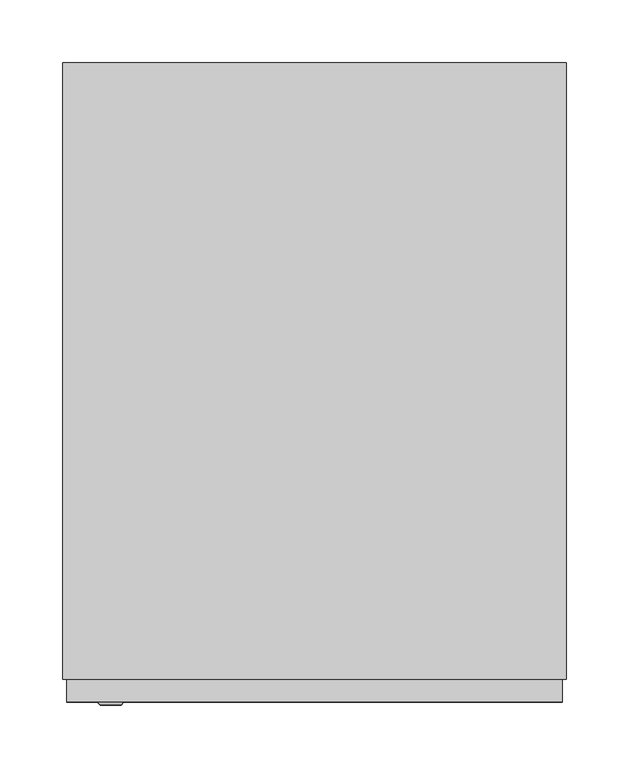
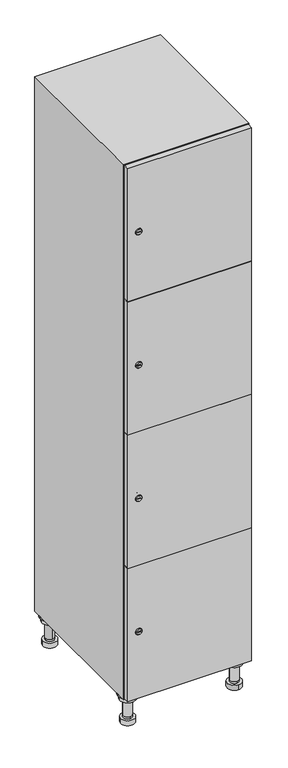
"""IFC4 building model written with IfcOpenShell, lengths in millimetres: furniture geometry."""

from ifc_helpers import new_model, si_unit, point, frame, frame_2d, origin, place, context, project, spatial, polyline, circle_curve, trimmed, segment, composite_curve, outline, extrude, faceted_brep, source, transform, mapped, element, save
from ifc_brep_helpers import plane_surface, cylinder_surface, revolved_surface, advanced_brep


def furniture_cc044fcd(model_context):
    return source(origin(), model_context, "Body", "SolidModel", [
        advanced_brep(
        [(170.0, -201.0, 22.0), (170.0, -201.5, 16.0), (170.0, -228.5, 16.0), (170.0, -229.0, 22.0), (156.0, -215.0, 22.0), (184.0, -215.0, 22.0), (170.0, -192.5, 16.0), (170.0, -237.5, 16.0), (170.0, -192.5, 0.0), (170.0, -237.5, 0.0), (184.0, -215.0, 78.0), (156.0, -215.0, 78.0), (195.0, -215.0, 78.0), (145.0, -215.0, 78.0), (200.0, -215.0, 94.0), (140.0, -215.0, 94.0), (145.0, -215.0, 94.0), (195.0, -215.0, 94.0), (200.0, -215.0, 100.0), (140.0, -215.0, 100.0)],
        [
            (0, 1),
            (1, 2, circle_curve(frame((170.0, -215.0, 16.0), z_axis=(0.0, 0.0, 1.0), x_axis=(0.0, -1.0, 0.0)), 13.5)),
            (2, 3),
            (3, 4, circle_curve(frame((170.0, -215.0, 22.0), z_axis=(0.0, 0.0, -1.0), x_axis=(0.0, -1.0, 0.0)), 14.0)),
            (4, 0, circle_curve(frame((170.0, -215.0, 22.0), z_axis=(0.0, 0.0, -1.0), x_axis=(0.0, -1.0, 0.0)), 14.0)),
            (0, 5, circle_curve(frame((170.0, -215.0, 22.0), z_axis=(0.0, 0.0, -1.0), x_axis=(0.0, 1.0, 0.0)), 14.0)),
            (5, 3, circle_curve(frame((170.0, -215.0, 22.0), z_axis=(0.0, 0.0, -1.0), x_axis=(0.0, 1.0, 0.0)), 14.0)),
            (2, 1, circle_curve(frame((170.0, -215.0, 16.0), z_axis=(0.0, 0.0, 1.0), x_axis=(0.0, 1.0, 0.0)), 13.5)),
            (6, 7, circle_curve(frame((170.0, -215.0, 16.0), z_axis=(0.0, 0.0, 1.0), x_axis=(0.0, -1.0, 0.0)), 22.5)),
            (7, 6, circle_curve(frame((170.0, -215.0, 16.0), z_axis=(0.0, 0.0, 1.0), x_axis=(0.0, -1.0, 0.0)), 22.5)),
            (8, 9, circle_curve(frame((170.0, -215.0, 0.0), z_axis=(0.0, 0.0, -1.0), x_axis=(0.0, -1.0, 0.0)), 22.5)),
            (9, 8, circle_curve(frame((170.0, -215.0, 0.0), z_axis=(0.0, 0.0, -1.0), x_axis=(0.0, -1.0, 0.0)), 22.5)),
            (6, 8),
            (9, 7),
            (5, 10),
            (10, 11, circle_curve(frame((170.0, -215.0, 78.0), z_axis=(0.0, 0.0, -1.0), x_axis=(-1.0, 0.0, 0.0)), 14.0)),
            (11, 4),
            (11, 10, circle_curve(frame((170.0, -215.0, 78.0), z_axis=(0.0, 0.0, -1.0), x_axis=(-1.0, 0.0, 0.0)), 14.0)),
            (12, 13, circle_curve(frame((170.0, -215.0, 78.0), z_axis=(0.0, 0.0, -1.0), x_axis=(-1.0, 0.0, 0.0)), 25.0)),
            (13, 12, circle_curve(frame((170.0, -215.0, 78.0), z_axis=(0.0, 0.0, -1.0), x_axis=(-1.0, 0.0, 0.0)), 25.0)),
            (14, 15, circle_curve(frame((170.0, -215.0, 94.0), z_axis=(0.0, 0.0, -1.0), x_axis=(-1.0, 0.0, 0.0)), 30.0)),
            (15, 14, circle_curve(frame((170.0, -215.0, 94.0), z_axis=(0.0, 0.0, -1.0), x_axis=(-1.0, 0.0, 0.0)), 30.0)),
            (16, 17, circle_curve(frame((170.0, -215.0, 94.0), z_axis=(0.0, 0.0, 1.0), x_axis=(-1.0, 0.0, 0.0)), 25.0)),
            (17, 16, circle_curve(frame((170.0, -215.0, 94.0), z_axis=(0.0, 0.0, 1.0), x_axis=(-1.0, 0.0, 0.0)), 25.0)),
            (18, 19, circle_curve(frame((170.0, -215.0, 100.0), z_axis=(0.0, 0.0, 1.0), x_axis=(-1.0, 0.0, 0.0)), 30.0)),
            (19, 18, circle_curve(frame((170.0, -215.0, 100.0), z_axis=(0.0, 0.0, 1.0), x_axis=(-1.0, 0.0, 0.0)), 30.0)),
            (14, 18),
            (19, 15),
            (12, 17),
            (16, 13),
        ],
        [
            revolved_surface(polyline([(170.0, -201.5, 16.0), (170.0, -201.0, 22.0)]), (170.0, -215.0, -146.0), (0.0, 0.0, 1.0)),
            plane_surface(frame((170.0, 0.0, 16.0), z_axis=(0.0, 0.0, 1.0), x_axis=(0.0, -1.0, 0.0))),
            plane_surface(frame((170.0, 0.0, 0.0), z_axis=(0.0, 0.0, -1.0), x_axis=(0.0, -1.0, 0.0))),
            cylinder_surface(frame((170.0, -215.0, 16.0), z_axis=(0.0, 0.0, 1.0), x_axis=(0.0, -1.0, 0.0)), 22.5),
            cylinder_surface(frame((170.0, -215.0, 22.0), z_axis=(0.0, 0.0, -1.0), x_axis=(-1.0, 0.0, 0.0)), 14.0),
            plane_surface(frame((170.0, 0.0, 78.0), z_axis=(0.0, 0.0, -1.0), x_axis=(0.0, -1.0, 0.0))),
            plane_surface(frame((170.0, 0.0, 94.0), z_axis=(0.0, 0.0, -1.0), x_axis=(0.0, -1.0, 0.0))),
            plane_surface(frame((170.0, 0.0, 100.0), z_axis=(0.0, 0.0, 1.0), x_axis=(0.0, -1.0, 0.0))),
            cylinder_surface(frame((170.0, -215.0, 94.0), z_axis=(0.0, 0.0, -1.0), x_axis=(-1.0, 0.0, 0.0)), 30.0),
            cylinder_surface(frame((170.0, -215.0, 78.0), z_axis=(0.0, 0.0, -1.0), x_axis=(-1.0, 0.0, 0.0)), 25.0),
        ],
        [
            (0, [[1, 2, 3, 4, 5]]),
            (0, [[-1, 6, 7, -3, 8]]),
            (1, [[9, 10], [-2, -8]]),
            (2, [[11, 12]]),
            (3, [[-9, 13, -12, 14]]),
            (3, [[-10, -14, -11, -13]]),
            (4, [[15, 16, 17, -4, -7]]),
            (4, [[-15, -6, -5, -17, 18]]),
            (5, [[19, 20], [-16, -18]]),
            (6, [[21, 22], [23, 24]]),
            (7, [[25, 26]]),
            (8, [[-21, 27, -26, 28]]),
            (8, [[-22, -28, -25, -27]]),
            (9, [[-19, 29, -23, 30]]),
            (9, [[-20, -30, -24, -29]]),
        ],
    ),
        advanced_brep(
        [(-170.0, -201.0, 22.0), (-170.0, -201.5, 16.0), (-170.0, -228.5, 16.0), (-170.0, -229.0, 22.0), (-184.0, -215.0, 22.0), (-156.0, -215.0, 22.0), (-147.5, -215.0, 0.0), (-192.5, -215.0, 0.0), (-147.5, -215.0, 16.0), (-192.5, -215.0, 16.0), (-156.0, -215.0, 78.0), (-184.0, -215.0, 78.0), (-145.0, -215.0, 78.0), (-195.0, -215.0, 78.0), (-140.0, -215.0, 94.0), (-200.0, -215.0, 94.0), (-195.0, -215.0, 94.0), (-145.0, -215.0, 94.0), (-140.0, -215.0, 100.0), (-200.0, -215.0, 100.0)],
        [
            (0, 1),
            (1, 2, circle_curve(frame((-170.0, -215.0, 16.0), z_axis=(0.0, 0.0, 1.0), x_axis=(0.0, -1.0, 0.0)), 13.5)),
            (2, 3),
            (3, 4, circle_curve(frame((-170.0, -215.0, 22.0), z_axis=(0.0, 0.0, -1.0), x_axis=(0.0, -1.0, 0.0)), 14.0)),
            (4, 0, circle_curve(frame((-170.0, -215.0, 22.0), z_axis=(0.0, 0.0, -1.0), x_axis=(0.0, -1.0, 0.0)), 14.0)),
            (0, 5, circle_curve(frame((-170.0, -215.0, 22.0), z_axis=(0.0, 0.0, -1.0), x_axis=(0.0, 1.0, 0.0)), 14.0)),
            (5, 3, circle_curve(frame((-170.0, -215.0, 22.0), z_axis=(0.0, 0.0, -1.0), x_axis=(0.0, 1.0, 0.0)), 14.0)),
            (2, 1, circle_curve(frame((-170.0, -215.0, 16.0), z_axis=(0.0, 0.0, 1.0), x_axis=(0.0, 1.0, 0.0)), 13.5)),
            (6, 7, circle_curve(frame((-170.0, -215.0, 0.0), z_axis=(0.0, 0.0, -1.0), x_axis=(-1.0, 0.0, 0.0)), 22.5)),
            (7, 6, circle_curve(frame((-170.0, -215.0, 0.0), z_axis=(0.0, 0.0, -1.0), x_axis=(-1.0, 0.0, 0.0)), 22.5)),
            (8, 9, circle_curve(frame((-170.0, -215.0, 16.0), z_axis=(0.0, 0.0, 1.0), x_axis=(-1.0, 0.0, 0.0)), 22.5)),
            (9, 8, circle_curve(frame((-170.0, -215.0, 16.0), z_axis=(0.0, 0.0, 1.0), x_axis=(-1.0, 0.0, 0.0)), 22.5)),
            (6, 8),
            (9, 7),
            (5, 10),
            (10, 11, circle_curve(frame((-170.0, -215.0, 78.0), z_axis=(0.0, 0.0, -1.0), x_axis=(-1.0, 0.0, 0.0)), 14.0)),
            (11, 4),
            (11, 10, circle_curve(frame((-170.0, -215.0, 78.0), z_axis=(0.0, 0.0, -1.0), x_axis=(-1.0, 0.0, 0.0)), 14.0)),
            (12, 13, circle_curve(frame((-170.0, -215.0, 78.0), z_axis=(0.0, 0.0, -1.0), x_axis=(-1.0, 0.0, 0.0)), 25.0)),
            (13, 12, circle_curve(frame((-170.0, -215.0, 78.0), z_axis=(0.0, 0.0, -1.0), x_axis=(-1.0, 0.0, 0.0)), 25.0)),
            (14, 15, circle_curve(frame((-170.0, -215.0, 94.0), z_axis=(0.0, 0.0, -1.0), x_axis=(-1.0, 0.0, 0.0)), 30.0)),
            (15, 14, circle_curve(frame((-170.0, -215.0, 94.0), z_axis=(0.0, 0.0, -1.0), x_axis=(-1.0, 0.0, 0.0)), 30.0)),
            (16, 17, circle_curve(frame((-170.0, -215.0, 94.0), z_axis=(0.0, 0.0, 1.0), x_axis=(-1.0, 0.0, 0.0)), 25.0)),
            (17, 16, circle_curve(frame((-170.0, -215.0, 94.0), z_axis=(0.0, 0.0, 1.0), x_axis=(-1.0, 0.0, 0.0)), 25.0)),
            (18, 19, circle_curve(frame((-170.0, -215.0, 100.0), z_axis=(0.0, 0.0, 1.0), x_axis=(-1.0, 0.0, 0.0)), 30.0)),
            (19, 18, circle_curve(frame((-170.0, -215.0, 100.0), z_axis=(0.0, 0.0, 1.0), x_axis=(-1.0, 0.0, 0.0)), 30.0)),
            (14, 18),
            (19, 15),
            (12, 17),
            (16, 13),
        ],
        [
            revolved_surface(polyline([(-170.0, -201.5, 16.0), (-170.0, -201.0, 22.0)]), (-170.0, -215.0, -146.0), (0.0, 0.0, 1.0)),
            plane_surface(frame((-170.0, 0.0, 0.0), z_axis=(0.0, 0.0, -1.0), x_axis=(0.0, -1.0, 0.0))),
            plane_surface(frame((-170.0, 0.0, 16.0), z_axis=(0.0, 0.0, 1.0), x_axis=(0.0, -1.0, 0.0))),
            cylinder_surface(frame((-170.0, -215.0, 0.0), z_axis=(0.0, 0.0, -1.0), x_axis=(-1.0, 0.0, 0.0)), 22.5),
            cylinder_surface(frame((-170.0, -215.0, 22.0), z_axis=(0.0, 0.0, -1.0), x_axis=(-1.0, 0.0, 0.0)), 14.0),
            plane_surface(frame((-170.0, 0.0, 78.0), z_axis=(0.0, 0.0, -1.0), x_axis=(0.0, -1.0, 0.0))),
            plane_surface(frame((-170.0, 0.0, 94.0), z_axis=(0.0, 0.0, -1.0), x_axis=(0.0, -1.0, 0.0))),
            plane_surface(frame((-170.0, 0.0, 100.0), z_axis=(0.0, 0.0, 1.0), x_axis=(0.0, -1.0, 0.0))),
            cylinder_surface(frame((-170.0, -215.0, 94.0), z_axis=(0.0, 0.0, -1.0), x_axis=(-1.0, 0.0, 0.0)), 30.0),
            cylinder_surface(frame((-170.0, -215.0, 78.0), z_axis=(0.0, 0.0, -1.0), x_axis=(-1.0, 0.0, 0.0)), 25.0),
        ],
        [
            (0, [[1, 2, 3, 4, 5]]),
            (0, [[-1, 6, 7, -3, 8]]),
            (1, [[9, 10]]),
            (2, [[11, 12], [-2, -8]]),
            (3, [[-9, 13, -12, 14]]),
            (3, [[-10, -14, -11, -13]]),
            (4, [[15, 16, 17, -4, -7]]),
            (4, [[-15, -6, -5, -17, 18]]),
            (5, [[19, 20], [-16, -18]]),
            (6, [[21, 22], [23, 24]]),
            (7, [[25, 26]]),
            (8, [[-21, 27, -26, 28]]),
            (8, [[-22, -28, -25, -27]]),
            (9, [[-19, 29, -23, 30]]),
            (9, [[-20, -30, -24, -29]]),
        ],
    ),
        advanced_brep(
        [(183.5, 215.0, 16.0), (184.0, 215.0, 22.0), (156.0, 215.0, 22.0), (156.5, 215.0, 16.0), (192.5, 215.0, 0.0), (147.5, 215.0, 0.0), (192.5, 215.0, 16.0), (147.5, 215.0, 16.0), (184.0, 215.0, 78.0), (156.0, 215.0, 78.0), (195.0, 215.0, 78.0), (145.0, 215.0, 78.0), (200.0, 215.0, 94.0), (140.0, 215.0, 94.0), (145.0, 215.0, 94.0), (195.0, 215.0, 94.0), (200.0, 215.0, 100.0), (140.0, 215.0, 100.0)],
        [
            (0, 1),
            (1, 2, circle_curve(frame((170.0, 215.0, 22.0), z_axis=(0.0, 0.0, -1.0), x_axis=(-1.0, 0.0, 0.0)), 14.0)),
            (2, 3),
            (3, 0, circle_curve(frame((170.0, 215.0, 16.0), z_axis=(0.0, 0.0, 1.0), x_axis=(-1.0, 0.0, 0.0)), 13.5)),
            (0, 3, circle_curve(frame((170.0, 215.0, 16.0), z_axis=(0.0, 0.0, 1.0), x_axis=(1.0, 0.0, 0.0)), 13.5)),
            (2, 1, circle_curve(frame((170.0, 215.0, 22.0), z_axis=(0.0, 0.0, -1.0), x_axis=(1.0, 0.0, 0.0)), 14.0)),
            (4, 5, circle_curve(frame((170.0, 215.0, 0.0), z_axis=(0.0, 0.0, -1.0), x_axis=(-1.0, 0.0, 0.0)), 22.5)),
            (5, 4, circle_curve(frame((170.0, 215.0, 0.0), z_axis=(0.0, 0.0, -1.0), x_axis=(-1.0, 0.0, 0.0)), 22.5)),
            (6, 7, circle_curve(frame((170.0, 215.0, 16.0), z_axis=(0.0, 0.0, 1.0), x_axis=(-1.0, 0.0, 0.0)), 22.5)),
            (7, 6, circle_curve(frame((170.0, 215.0, 16.0), z_axis=(0.0, 0.0, 1.0), x_axis=(-1.0, 0.0, 0.0)), 22.5)),
            (4, 6),
            (7, 5),
            (1, 8),
            (8, 9, circle_curve(frame((170.0, 215.0, 78.0), z_axis=(0.0, 0.0, -1.0), x_axis=(-1.0, 0.0, 0.0)), 14.0)),
            (9, 2),
            (9, 8, circle_curve(frame((170.0, 215.0, 78.0), z_axis=(0.0, 0.0, -1.0), x_axis=(-1.0, 0.0, 0.0)), 14.0)),
            (10, 11, circle_curve(frame((170.0, 215.0, 78.0), z_axis=(0.0, 0.0, -1.0), x_axis=(-1.0, 0.0, 0.0)), 25.0)),
            (11, 10, circle_curve(frame((170.0, 215.0, 78.0), z_axis=(0.0, 0.0, -1.0), x_axis=(-1.0, 0.0, 0.0)), 25.0)),
            (12, 13, circle_curve(frame((170.0, 215.0, 94.0), z_axis=(0.0, 0.0, -1.0), x_axis=(-1.0, 0.0, 0.0)), 30.0)),
            (13, 12, circle_curve(frame((170.0, 215.0, 94.0), z_axis=(0.0, 0.0, -1.0), x_axis=(-1.0, 0.0, 0.0)), 30.0)),
            (14, 15, circle_curve(frame((170.0, 215.0, 94.0), z_axis=(0.0, 0.0, 1.0), x_axis=(-1.0, 0.0, 0.0)), 25.0)),
            (15, 14, circle_curve(frame((170.0, 215.0, 94.0), z_axis=(0.0, 0.0, 1.0), x_axis=(-1.0, 0.0, 0.0)), 25.0)),
            (16, 17, circle_curve(frame((170.0, 215.0, 100.0), z_axis=(0.0, 0.0, 1.0), x_axis=(-1.0, 0.0, 0.0)), 30.0)),
            (17, 16, circle_curve(frame((170.0, 215.0, 100.0), z_axis=(0.0, 0.0, 1.0), x_axis=(-1.0, 0.0, 0.0)), 30.0)),
            (12, 16),
            (17, 13),
            (10, 15),
            (14, 11),
        ],
        [
            revolved_surface(polyline([(183.5, 215.0, 16.0), (184.0, 215.0, 22.0)]), (170.0, 215.0, -146.0), (0.0, 0.0, 1.0)),
            plane_surface(frame((170.0, 0.0, 0.0), z_axis=(0.0, 0.0, -1.0), x_axis=(0.0, -1.0, 0.0))),
            plane_surface(frame((170.0, 0.0, 16.0), z_axis=(0.0, 0.0, 1.0), x_axis=(0.0, -1.0, 0.0))),
            cylinder_surface(frame((170.0, 215.0, 0.0), z_axis=(0.0, 0.0, -1.0), x_axis=(-1.0, 0.0, 0.0)), 22.5),
            cylinder_surface(frame((170.0, 215.0, 22.0), z_axis=(0.0, 0.0, -1.0), x_axis=(-1.0, 0.0, 0.0)), 14.0),
            plane_surface(frame((170.0, 0.0, 78.0), z_axis=(0.0, 0.0, -1.0), x_axis=(0.0, -1.0, 0.0))),
            plane_surface(frame((170.0, 0.0, 94.0), z_axis=(0.0, 0.0, -1.0), x_axis=(0.0, -1.0, 0.0))),
            plane_surface(frame((170.0, 0.0, 100.0), z_axis=(0.0, 0.0, 1.0), x_axis=(0.0, -1.0, 0.0))),
            cylinder_surface(frame((170.0, 215.0, 94.0), z_axis=(0.0, 0.0, -1.0), x_axis=(-1.0, 0.0, 0.0)), 30.0),
            cylinder_surface(frame((170.0, 215.0, 78.0), z_axis=(0.0, 0.0, -1.0), x_axis=(-1.0, 0.0, 0.0)), 25.0),
        ],
        [
            (0, [[1, 2, 3, 4]]),
            (0, [[-1, 5, -3, 6]]),
            (1, [[7, 8]]),
            (2, [[9, 10], [-4, -5]]),
            (3, [[-7, 11, -10, 12]]),
            (3, [[-8, -12, -9, -11]]),
            (4, [[13, 14, 15, -2]]),
            (4, [[-13, -6, -15, 16]]),
            (5, [[17, 18], [-14, -16]]),
            (6, [[19, 20], [21, 22]]),
            (7, [[23, 24]]),
            (8, [[-19, 25, -24, 26]]),
            (8, [[-20, -26, -23, -25]]),
            (9, [[-17, 27, -21, 28]]),
            (9, [[-18, -28, -22, -27]]),
        ],
    ),
        advanced_brep(
        [(-156.5, 215.0, 16.0), (-156.0, 215.0, 22.0), (-170.0, 201.0, 22.0), (-184.0, 215.0, 22.0), (-183.5, 215.0, 16.0), (-170.0, 229.0, 22.0), (-147.5, 215.0, 0.0), (-192.5, 215.0, 0.0), (-147.5, 215.0, 16.0), (-192.5, 215.0, 16.0), (-170.0, 229.0, 78.0), (-170.0, 201.0, 78.0), (-145.0, 215.0, 78.0), (-195.0, 215.0, 78.0), (-140.0, 215.0, 94.0), (-200.0, 215.0, 94.0), (-195.0, 215.0, 94.0), (-145.0, 215.0, 94.0), (-140.0, 215.0, 100.0), (-200.0, 215.0, 100.0)],
        [
            (0, 1),
            (1, 2, circle_curve(frame((-170.0, 215.0, 22.0), z_axis=(0.0, 0.0, -1.0), x_axis=(-1.0, 0.0, 0.0)), 14.0)),
            (2, 3, circle_curve(frame((-170.0, 215.0, 22.0), z_axis=(0.0, 0.0, -1.0), x_axis=(-1.0, 0.0, 0.0)), 14.0)),
            (3, 4),
            (4, 0, circle_curve(frame((-170.0, 215.0, 16.0), z_axis=(0.0, 0.0, 1.0), x_axis=(-1.0, 0.0, 0.0)), 13.5)),
            (0, 4, circle_curve(frame((-170.0, 215.0, 16.0), z_axis=(0.0, 0.0, 1.0), x_axis=(1.0, 0.0, 0.0)), 13.5)),
            (3, 5, circle_curve(frame((-170.0, 215.0, 22.0), z_axis=(0.0, 0.0, -1.0), x_axis=(1.0, 0.0, 0.0)), 14.0)),
            (5, 1, circle_curve(frame((-170.0, 215.0, 22.0), z_axis=(0.0, 0.0, -1.0), x_axis=(1.0, 0.0, 0.0)), 14.0)),
            (6, 7, circle_curve(frame((-170.0, 215.0, 0.0), z_axis=(0.0, 0.0, -1.0), x_axis=(-1.0, 0.0, 0.0)), 22.5)),
            (7, 6, circle_curve(frame((-170.0, 215.0, 0.0), z_axis=(0.0, 0.0, -1.0), x_axis=(-1.0, 0.0, 0.0)), 22.5)),
            (8, 9, circle_curve(frame((-170.0, 215.0, 16.0), z_axis=(0.0, 0.0, 1.0), x_axis=(-1.0, 0.0, 0.0)), 22.5)),
            (9, 8, circle_curve(frame((-170.0, 215.0, 16.0), z_axis=(0.0, 0.0, 1.0), x_axis=(-1.0, 0.0, 0.0)), 22.5)),
            (6, 8),
            (9, 7),
            (10, 5),
            (2, 11),
            (11, 10, circle_curve(frame((-170.0, 215.0, 78.0), z_axis=(0.0, 0.0, -1.0), x_axis=(0.0, -1.0, 0.0)), 14.0)),
            (10, 11, circle_curve(frame((-170.0, 215.0, 78.0), z_axis=(0.0, 0.0, -1.0), x_axis=(0.0, -1.0, 0.0)), 14.0)),
            (12, 13, circle_curve(frame((-170.0, 215.0, 78.0), z_axis=(0.0, 0.0, -1.0), x_axis=(-1.0, 0.0, 0.0)), 25.0)),
            (13, 12, circle_curve(frame((-170.0, 215.0, 78.0), z_axis=(0.0, 0.0, -1.0), x_axis=(-1.0, 0.0, 0.0)), 25.0)),
            (14, 15, circle_curve(frame((-170.0, 215.0, 94.0), z_axis=(0.0, 0.0, -1.0), x_axis=(-1.0, 0.0, 0.0)), 30.0)),
            (15, 14, circle_curve(frame((-170.0, 215.0, 94.0), z_axis=(0.0, 0.0, -1.0), x_axis=(-1.0, 0.0, 0.0)), 30.0)),
            (16, 17, circle_curve(frame((-170.0, 215.0, 94.0), z_axis=(0.0, 0.0, 1.0), x_axis=(-1.0, 0.0, 0.0)), 25.0)),
            (17, 16, circle_curve(frame((-170.0, 215.0, 94.0), z_axis=(0.0, 0.0, 1.0), x_axis=(-1.0, 0.0, 0.0)), 25.0)),
            (18, 19, circle_curve(frame((-170.0, 215.0, 100.0), z_axis=(0.0, 0.0, 1.0), x_axis=(-1.0, 0.0, 0.0)), 30.0)),
            (19, 18, circle_curve(frame((-170.0, 215.0, 100.0), z_axis=(0.0, 0.0, 1.0), x_axis=(-1.0, 0.0, 0.0)), 30.0)),
            (14, 18),
            (19, 15),
            (12, 17),
            (16, 13),
        ],
        [
            revolved_surface(polyline([(-156.5, 215.0, 16.0), (-156.0, 215.0, 22.0)]), (-170.0, 215.0, -146.0), (0.0, 0.0, 1.0)),
            plane_surface(frame((-170.0, 0.0, 0.0), z_axis=(0.0, 0.0, -1.0), x_axis=(0.0, -1.0, 0.0))),
            plane_surface(frame((-170.0, 0.0, 16.0), z_axis=(0.0, 0.0, 1.0), x_axis=(0.0, -1.0, 0.0))),
            cylinder_surface(frame((-170.0, 215.0, 0.0), z_axis=(0.0, 0.0, -1.0), x_axis=(-1.0, 0.0, 0.0)), 22.5),
            cylinder_surface(frame((-170.0, 215.0, 78.0), z_axis=(0.0, 0.0, 1.0), x_axis=(0.0, -1.0, 0.0)), 14.0),
            plane_surface(frame((-170.0, 0.0, 78.0), z_axis=(0.0, 0.0, -1.0), x_axis=(0.0, -1.0, 0.0))),
            plane_surface(frame((-170.0, 0.0, 94.0), z_axis=(0.0, 0.0, -1.0), x_axis=(0.0, -1.0, 0.0))),
            plane_surface(frame((-170.0, 0.0, 100.0), z_axis=(0.0, 0.0, 1.0), x_axis=(0.0, -1.0, 0.0))),
            cylinder_surface(frame((-170.0, 215.0, 94.0), z_axis=(0.0, 0.0, -1.0), x_axis=(-1.0, 0.0, 0.0)), 30.0),
            cylinder_surface(frame((-170.0, 215.0, 78.0), z_axis=(0.0, 0.0, -1.0), x_axis=(-1.0, 0.0, 0.0)), 25.0),
        ],
        [
            (0, [[1, 2, 3, 4, 5]]),
            (0, [[-1, 6, -4, 7, 8]]),
            (1, [[9, 10]]),
            (2, [[11, 12], [-5, -6]]),
            (3, [[-9, 13, -12, 14]]),
            (3, [[-10, -14, -11, -13]]),
            (4, [[15, -7, -3, 16, 17]]),
            (4, [[-15, 18, -16, -2, -8]]),
            (5, [[19, 20], [-17, -18]]),
            (6, [[21, 22], [23, 24]]),
            (7, [[25, 26]]),
            (8, [[-21, 27, -26, 28]]),
            (8, [[-22, -28, -25, -27]]),
            (9, [[-19, 29, -23, 30]]),
            (9, [[-20, -30, -24, -29]]),
        ],
    ),
        extrude(outline(composite_curve([segment(trimmed(circle_curve(frame_2d((327.25, -188.7989466)), 7.0), [point((334.25, -188.7989466))], [point((320.25, -188.7989466))], False, "CARTESIAN"), True, "CONTINUOUS"), segment(polyline([(320.25, -188.7989466), (320.25, -160.7989466)]), True, "CONTINUOUS"), segment(trimmed(circle_curve(frame_2d((327.25, -160.7989466)), 7.0), [point((320.25, -160.7989466))], [point((334.25, -160.7989466))], False, "CARTESIAN"), True, "CONTINUOUS"), segment(polyline([(334.25, -160.7989466), (334.25, -188.7989466)]), True, "CONTINUOUS")], self_intersect=False)), frame((0.0, -245.0, 0.0), z_axis=(0.0, 1.0, 0.0), x_axis=(0.0, 0.0, 1.0)), (0.0, 0.0, 1.0), 2.0),
        advanced_brep(
        [(-153.5, -265.2, 327.25), (-170.5, -265.2, 327.25), (-167.0, -265.2, 326.0), (-167.0, -265.2, 328.5), (-157.0, -265.2, 328.5), (-157.0, -265.2, 326.0), (-151.5, -263.0, 327.25), (-172.5, -263.0, 327.25), (-167.0, -263.0, 328.5), (-167.0, -263.0, 326.0), (-157.0, -263.0, 326.0), (-157.0, -263.0, 328.5)],
        [
            (0, 1, circle_curve(frame((-162.0, -265.2, 327.25), z_axis=(0.0, -1.0, 0.0), x_axis=(1.0, 0.0, 0.0)), 8.5)),
            (1, 0, circle_curve(frame((-162.0, -265.2, 327.25), z_axis=(0.0, -1.0, 0.0), x_axis=(-1.0, 0.0, 0.0)), 8.5)),
            (2, 3),
            (3, 4),
            (4, 5),
            (5, 2),
            (6, 7, circle_curve(frame((-162.0, -263.0, 327.25), z_axis=(0.0, 1.0, 0.0), x_axis=(-1.0, 0.0, 0.0)), 10.5)),
            (7, 6, circle_curve(frame((-162.0, -263.0, 327.25), z_axis=(0.0, 1.0, 0.0), x_axis=(1.0, 0.0, 0.0)), 10.5)),
            (8, 9),
            (9, 10),
            (10, 11),
            (11, 8),
            (0, 6),
            (7, 1),
            (8, 3),
            (2, 9),
            (11, 4),
            (10, 5),
        ],
        [
            plane_surface(frame((-162.0, -265.2, 327.25), z_axis=(0.0, -1.0, 0.0), x_axis=(0.0, 0.0, 1.0))),
            plane_surface(frame((-162.0, -263.0, 327.25), z_axis=(0.0, 1.0, 0.0), x_axis=(0.0, 0.0, 1.0))),
            revolved_surface(polyline([(-153.5, -265.2, 327.25), (-151.5, -263.0, 327.25)]), (-162.0, -274.55, 327.25), (0.0, 1.0, 0.0)),
            revolved_surface(polyline([(-170.5, -265.2, 327.25), (-172.5, -263.0, 327.25)]), (-162.0, -274.55, 327.25), (0.0, 1.0, 0.0)),
            plane_surface(frame((-167.0, -263.0, 326.0), z_axis=(1.0, 0.0, 0.0), x_axis=(0.0, -1.0, 0.0))),
            plane_surface(frame((-167.0, -263.0, 328.5), z_axis=(0.0, 0.0, -1.0), x_axis=(0.0, -1.0, 0.0))),
            plane_surface(frame((-157.0, -263.0, 328.5), z_axis=(-1.0, 0.0, 0.0), x_axis=(0.0, -1.0, 0.0))),
            plane_surface(frame((-157.0, -263.0, 326.0), z_axis=(0.0, 0.0, 1.0), x_axis=(0.0, -1.0, 0.0))),
        ],
        [
            (0, [[1, 2], [3, 4, 5, 6]]),
            (1, [[7, 8], [9, 10, 11, 12]]),
            (2, [[-1, 13, -8, 14]]),
            (3, [[-2, -14, -7, -13]]),
            (4, [[15, -3, 16, -9]]),
            (5, [[-15, -12, 17, -4]]),
            (6, [[-17, -11, 18, -5]]),
            (7, [[-16, -6, -18, -10]]),
        ],
    ),
        extrude(outline(composite_curve([segment(trimmed(circle_curve(frame_2d((775.75, -188.7989466)), 7.0), [point((782.75, -188.7989466))], [point((768.75, -188.7989466))], False, "CARTESIAN"), True, "CONTINUOUS"), segment(polyline([(768.75, -188.7989466), (768.75, -160.7989466)]), True, "CONTINUOUS"), segment(trimmed(circle_curve(frame_2d((775.75, -160.7989466)), 7.0), [point((768.75, -160.7989466))], [point((782.75, -160.7989466))], False, "CARTESIAN"), True, "CONTINUOUS"), segment(polyline([(782.75, -160.7989466), (782.75, -188.7989466)]), True, "CONTINUOUS")], self_intersect=False)), frame((0.0, -245.0, 0.0), z_axis=(0.0, 1.0, 0.0), x_axis=(0.0, 0.0, 1.0)), (0.0, 0.0, 1.0), 2.0),
        advanced_brep(
        [(-153.5, -265.2, 775.75), (-170.5, -265.2, 775.75), (-167.0, -265.2, 774.5), (-167.0, -265.2, 777.0), (-157.0, -265.2, 777.0), (-157.0, -265.2, 774.5), (-151.5, -263.0, 775.75), (-172.5, -263.0, 775.75), (-167.0, -263.0, 777.0), (-167.0, -263.0, 774.5), (-157.0, -263.0, 774.5), (-157.0, -263.0, 777.0)],
        [
            (0, 1, circle_curve(frame((-162.0, -265.2, 775.75), z_axis=(0.0, -1.0, 0.0), x_axis=(1.0, 0.0, 0.0)), 8.5)),
            (1, 0, circle_curve(frame((-162.0, -265.2, 775.75), z_axis=(0.0, -1.0, 0.0), x_axis=(-1.0, 0.0, 0.0)), 8.5)),
            (2, 3),
            (3, 4),
            (4, 5),
            (5, 2),
            (6, 7, circle_curve(frame((-162.0, -263.0, 775.75), z_axis=(0.0, 1.0, 0.0), x_axis=(-1.0, 0.0, 0.0)), 10.5)),
            (7, 6, circle_curve(frame((-162.0, -263.0, 775.75), z_axis=(0.0, 1.0, 0.0), x_axis=(1.0, 0.0, 0.0)), 10.5)),
            (8, 9),
            (9, 10),
            (10, 11),
            (11, 8),
            (0, 6),
            (7, 1),
            (8, 3),
            (2, 9),
            (11, 4),
            (10, 5),
        ],
        [
            plane_surface(frame((-162.0, -265.2, 775.75), z_axis=(0.0, -1.0, 0.0), x_axis=(0.0, 0.0, 1.0))),
            plane_surface(frame((-162.0, -263.0, 775.75), z_axis=(0.0, 1.0, 0.0), x_axis=(0.0, 0.0, 1.0))),
            revolved_surface(polyline([(-153.5, -265.2, 775.75), (-151.5, -263.0, 775.75)]), (-162.0, -274.55, 775.75), (0.0, 1.0, 0.0)),
            revolved_surface(polyline([(-170.5, -265.2, 775.75), (-172.5, -263.0, 775.75)]), (-162.0, -274.55, 775.75), (0.0, 1.0, 0.0)),
            plane_surface(frame((-167.0, -263.0, 774.5), z_axis=(1.0, 0.0, 0.0), x_axis=(0.0, -1.0, 0.0))),
            plane_surface(frame((-167.0, -263.0, 777.0), z_axis=(0.0, 0.0, -1.0), x_axis=(0.0, -1.0, 0.0))),
            plane_surface(frame((-157.0, -263.0, 777.0), z_axis=(-1.0, 0.0, 0.0), x_axis=(0.0, -1.0, 0.0))),
            plane_surface(frame((-157.0, -263.0, 774.5), z_axis=(0.0, 0.0, 1.0), x_axis=(0.0, -1.0, 0.0))),
        ],
        [
            (0, [[1, 2], [3, 4, 5, 6]]),
            (1, [[7, 8], [9, 10, 11, 12]]),
            (2, [[-1, 13, -8, 14]]),
            (3, [[-2, -14, -7, -13]]),
            (4, [[15, -3, 16, -9]]),
            (5, [[-15, -12, 17, -4]]),
            (6, [[-17, -11, 18, -5]]),
            (7, [[-16, -6, -18, -10]]),
        ],
    ),
        extrude(outline(composite_curve([segment(trimmed(circle_curve(frame_2d((1224.25, -188.7989466)), 7.0), [point((1231.25, -188.7989466))], [point((1217.25, -188.7989466))], False, "CARTESIAN"), True, "CONTINUOUS"), segment(polyline([(1217.25, -188.7989466), (1217.25, -160.7989466)]), True, "CONTINUOUS"), segment(trimmed(circle_curve(frame_2d((1224.25, -160.7989466)), 7.0), [point((1217.25, -160.7989466))], [point((1231.25, -160.7989466))], False, "CARTESIAN"), True, "CONTINUOUS"), segment(polyline([(1231.25, -160.7989466), (1231.25, -188.7989466)]), True, "CONTINUOUS")], self_intersect=False)), frame((0.0, -245.0, 0.0), z_axis=(0.0, 1.0, 0.0), x_axis=(0.0, 0.0, 1.0)), (0.0, 0.0, 1.0), 2.0),
        advanced_brep(
        [(-153.5, -265.2, 1224.25), (-170.5, -265.2, 1224.25), (-167.0, -265.2, 1223.0), (-167.0, -265.2, 1225.5), (-157.0, -265.2, 1225.5), (-157.0, -265.2, 1223.0), (-151.5, -263.0, 1224.25), (-172.5, -263.0, 1224.25), (-167.0, -263.0, 1225.5), (-167.0, -263.0, 1223.0), (-157.0, -263.0, 1223.0), (-157.0, -263.0, 1225.5)],
        [
            (0, 1, circle_curve(frame((-162.0, -265.2, 1224.25), z_axis=(0.0, -1.0, 0.0), x_axis=(1.0, 0.0, 0.0)), 8.5)),
            (1, 0, circle_curve(frame((-162.0, -265.2, 1224.25), z_axis=(0.0, -1.0, 0.0), x_axis=(-1.0, 0.0, 0.0)), 8.5)),
            (2, 3),
            (3, 4),
            (4, 5),
            (5, 2),
            (6, 7, circle_curve(frame((-162.0, -263.0, 1224.25), z_axis=(0.0, 1.0, 0.0), x_axis=(-1.0, 0.0, 0.0)), 10.5)),
            (7, 6, circle_curve(frame((-162.0, -263.0, 1224.25), z_axis=(0.0, 1.0, 0.0), x_axis=(1.0, 0.0, 0.0)), 10.5)),
            (8, 9),
            (9, 10),
            (10, 11),
            (11, 8),
            (0, 6),
            (7, 1),
            (8, 3),
            (2, 9),
            (11, 4),
            (10, 5),
        ],
        [
            plane_surface(frame((-162.0, -265.2, 1224.25), z_axis=(0.0, -1.0, 0.0), x_axis=(0.0, 0.0, 1.0))),
            plane_surface(frame((-162.0, -263.0, 1224.25), z_axis=(0.0, 1.0, 0.0), x_axis=(0.0, 0.0, 1.0))),
            revolved_surface(polyline([(-153.5, -265.2, 1224.25), (-151.5, -263.0, 1224.25)]), (-162.0, -274.55, 1224.25), (0.0, 1.0, 0.0)),
            revolved_surface(polyline([(-170.5, -265.2, 1224.25), (-172.5, -263.0, 1224.25)]), (-162.0, -274.55, 1224.25), (0.0, 1.0, 0.0)),
            plane_surface(frame((-167.0, -263.0, 1223.0), z_axis=(1.0, 0.0, 0.0), x_axis=(0.0, -1.0, 0.0))),
            plane_surface(frame((-167.0, -263.0, 1225.5), z_axis=(0.0, 0.0, -1.0), x_axis=(0.0, -1.0, 0.0))),
            plane_surface(frame((-157.0, -263.0, 1225.5), z_axis=(-1.0, 0.0, 0.0), x_axis=(0.0, -1.0, 0.0))),
            plane_surface(frame((-157.0, -263.0, 1223.0), z_axis=(0.0, 0.0, 1.0), x_axis=(0.0, -1.0, 0.0))),
        ],
        [
            (0, [[1, 2], [3, 4, 5, 6]]),
            (1, [[7, 8], [9, 10, 11, 12]]),
            (2, [[-1, 13, -8, 14]]),
            (3, [[-2, -14, -7, -13]]),
            (4, [[15, -3, 16, -9]]),
            (5, [[-15, -12, 17, -4]]),
            (6, [[-17, -11, 18, -5]]),
            (7, [[-16, -6, -18, -10]]),
        ],
    ),
        extrude(outline(composite_curve([segment(trimmed(circle_curve(frame_2d((1672.75, -188.7989466)), 7.0), [point((1679.75, -188.7989466))], [point((1665.75, -188.7989466))], False, "CARTESIAN"), True, "CONTINUOUS"), segment(polyline([(1665.75, -188.7989466), (1665.75, -160.7989466)]), True, "CONTINUOUS"), segment(trimmed(circle_curve(frame_2d((1672.75, -160.7989466)), 7.0), [point((1665.75, -160.7989466))], [point((1679.75, -160.7989466))], False, "CARTESIAN"), True, "CONTINUOUS"), segment(polyline([(1679.75, -160.7989466), (1679.75, -188.7989466)]), True, "CONTINUOUS")], self_intersect=False)), frame((0.0, -245.0, 0.0), z_axis=(0.0, 1.0, 0.0), x_axis=(0.0, 0.0, 1.0)), (0.0, 0.0, 1.0), 2.0),
        advanced_brep(
        [(-153.5, -265.2, 1672.75), (-170.5, -265.2, 1672.75), (-167.0, -265.2, 1671.5), (-167.0, -265.2, 1674.0), (-157.0, -265.2, 1674.0), (-157.0, -265.2, 1671.5), (-151.5, -263.0, 1672.75), (-172.5, -263.0, 1672.75), (-167.0, -263.0, 1674.0), (-167.0, -263.0, 1671.5), (-157.0, -263.0, 1671.5), (-157.0, -263.0, 1674.0)],
        [
            (0, 1, circle_curve(frame((-162.0, -265.2, 1672.75), z_axis=(0.0, -1.0, 0.0), x_axis=(1.0, 0.0, 0.0)), 8.5)),
            (1, 0, circle_curve(frame((-162.0, -265.2, 1672.75), z_axis=(0.0, -1.0, 0.0), x_axis=(-1.0, 0.0, 0.0)), 8.5)),
            (2, 3),
            (3, 4),
            (4, 5),
            (5, 2),
            (6, 7, circle_curve(frame((-162.0, -263.0, 1672.75), z_axis=(0.0, 1.0, 0.0), x_axis=(-1.0, 0.0, 0.0)), 10.5)),
            (7, 6, circle_curve(frame((-162.0, -263.0, 1672.75), z_axis=(0.0, 1.0, 0.0), x_axis=(1.0, 0.0, 0.0)), 10.5)),
            (8, 9),
            (9, 10),
            (10, 11),
            (11, 8),
            (0, 6),
            (7, 1),
            (8, 3),
            (2, 9),
            (11, 4),
            (10, 5),
        ],
        [
            plane_surface(frame((-162.0, -265.2, 1672.75), z_axis=(0.0, -1.0, 0.0), x_axis=(0.0, 0.0, 1.0))),
            plane_surface(frame((-162.0, -263.0, 1672.75), z_axis=(0.0, 1.0, 0.0), x_axis=(0.0, 0.0, 1.0))),
            revolved_surface(polyline([(-153.5, -265.2, 1672.75), (-151.5, -263.0, 1672.75)]), (-162.0, -274.55, 1672.75), (0.0, 1.0, 0.0)),
            revolved_surface(polyline([(-170.5, -265.2, 1672.75), (-172.5, -263.0, 1672.75)]), (-162.0, -274.55, 1672.75), (0.0, 1.0, 0.0)),
            plane_surface(frame((-167.0, -263.0, 1671.5), z_axis=(1.0, 0.0, 0.0), x_axis=(0.0, -1.0, 0.0))),
            plane_surface(frame((-167.0, -263.0, 1674.0), z_axis=(0.0, 0.0, -1.0), x_axis=(0.0, -1.0, 0.0))),
            plane_surface(frame((-157.0, -263.0, 1674.0), z_axis=(-1.0, 0.0, 0.0), x_axis=(0.0, -1.0, 0.0))),
            plane_surface(frame((-157.0, -263.0, 1671.5), z_axis=(0.0, 0.0, 1.0), x_axis=(0.0, -1.0, 0.0))),
        ],
        [
            (0, [[1, 2], [3, 4, 5, 6]]),
            (1, [[7, 8], [9, 10, 11, 12]]),
            (2, [[-1, 13, -8, 14]]),
            (3, [[-2, -14, -7, -13]]),
            (4, [[15, -3, 16, -9]]),
            (5, [[-15, -12, 17, -4]]),
            (6, [[-17, -11, 18, -5]]),
            (7, [[-16, -6, -18, -10]]),
        ],
    ),
        extrude(outline(polyline([(197.0, -245.0), (197.0, -263.0), (-197.0, -263.0), (-197.0, -245.0), (197.0, -245.0)])), frame((0.0, 0.0, 551.0), z_axis=(0.0, 0.0, 1.0), x_axis=(1.0, 0.0, 0.0)), (0.0, 0.0, 1.0), 448.5),
        extrude(outline(polyline([(197.0, -245.0), (197.0, -263.0), (-197.0, -263.0), (-197.0, -245.0), (197.0, -245.0)])), frame((0.0, 0.0, 1000.5), z_axis=(0.0, 0.0, 1.0), x_axis=(1.0, 0.0, 0.0)), (0.0, 0.0, 1.0), 447.5),
        extrude(outline(polyline([(-197.0, -263.0), (-197.0, -245.0), (197.0, -245.0), (197.0, -263.0), (-197.0, -263.0)])), frame((0.0, 0.0, 1449.0), z_axis=(0.0, 0.0, 1.0), x_axis=(1.0, 0.0, 0.0)), (0.0, 0.0, 1.0), 448.0),
        extrude(outline(polyline([(197.0, -245.0), (197.0, -263.0), (-197.0, -263.0), (-197.0, -245.0), (197.0, -245.0)])), frame((0.0, 0.0, 103.0), z_axis=(0.0, 0.0, 1.0), x_axis=(1.0, 0.0, 0.0)), (0.0, 0.0, 1.0), 449.0),
        extrude(outline(polyline([(182.0, 227.0), (182.0, -227.0), (-182.0, -227.0), (-182.0, 227.0), (182.0, 227.0)])), frame((0.0, 0.0, 1432.0), z_axis=(0.0, 0.0, 1.0), x_axis=(1.0, 0.0, 0.0)), (0.0, 0.0, 1.0), 18.0),
        extrude(outline(polyline([(182.0, 227.0), (182.0, -227.0), (-182.0, -227.0), (-182.0, 227.0), (182.0, 227.0)])), frame((0.0, 0.0, 991.0), z_axis=(0.0, 0.0, 1.0), x_axis=(1.0, 0.0, 0.0)), (0.0, 0.0, 1.0), 18.0),
        extrude(outline(polyline([(182.0, 227.0), (182.0, -227.0), (-182.0, -227.0), (-182.0, 227.0), (182.0, 227.0)])), frame((0.0, 0.0, 550.0), z_axis=(0.0, 0.0, 1.0), x_axis=(1.0, 0.0, 0.0)), (0.0, 0.0, 1.0), 18.0),
        faceted_brep([(200.0, -245.0, 100.0), (200.0, -245.0, 1900.0), (-200.0, -245.0, 1900.0), (-200.0, -245.0, 100.0), (182.0, -245.0, 1882.0), (182.0, -245.0, 118.0), (-182.0, -245.0, 118.0), (-182.0, -245.0, 1882.0), (200.0, 245.0, 100.0), (-200.0, 245.0, 100.0), (200.0, 245.0, 1900.0), (-200.0, 245.0, 1900.0), (182.0, 227.0, 1882.0), (182.0, 227.0, 118.0), (-200.0, 245.0, 1882.0), (-182.0, 227.0, 1882.0), (-182.0, 227.0, 118.0)], [[[0, 1, 2, 3], [4, 5, 6, 7]], [[8, 0, 3, 9]], [[1, 0, 8, 10]], [[1, 10, 11, 2]], [[4, 12, 13, 5]], [[9, 3, 2, 11, 14]], [[10, 8, 9, 14, 11]], [[12, 15, 16, 13]], [[15, 7, 6, 16]], [[4, 7, 15, 12]], [[6, 5, 13, 16]]]),
    ])


if __name__ == "__main__":
    model = new_model("IFC4")
    model_context = context("Model", 3, world=origin())
    ifc_project = project(units=[si_unit("LENGTHUNIT", "METRE", prefix="MILLI")], contexts=[model_context])
    site = spatial("IfcSite", under=ifc_project)
    building = spatial("IfcBuilding", under=site)
    placement = place(None, origin())
    furniture_shape = furniture_cc044fcd(model_context)
    element("IfcFurniture", 1, at=placement, inside=building, context=model_context, shape_type="MappedRepresentation", body=[
        mapped(furniture_shape, transform((0.0, 0.0, 0.0), x_axis=(1.0, 0.0, 0.0), y_axis=(0.0, 1.0, 0.0), z_axis=(0.0, 0.0, 1.0))),
    ])
    save(model, "model.ifc")
